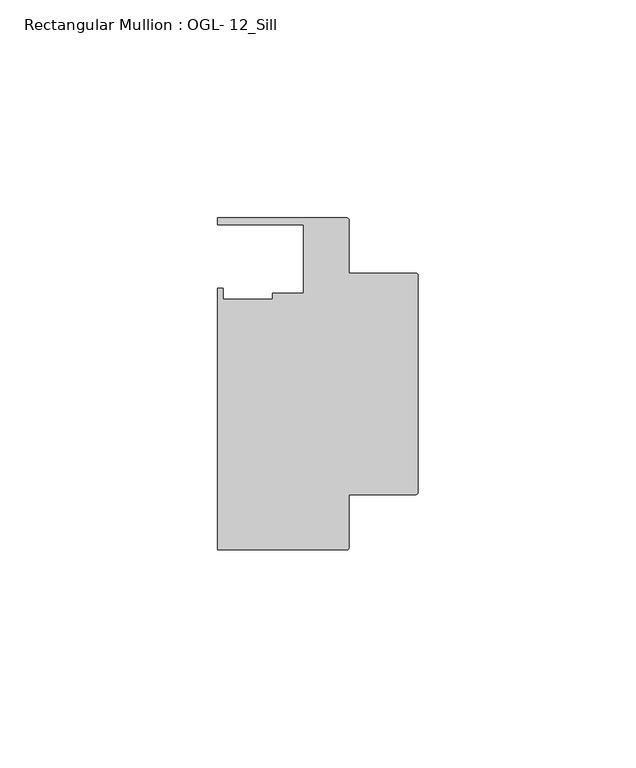
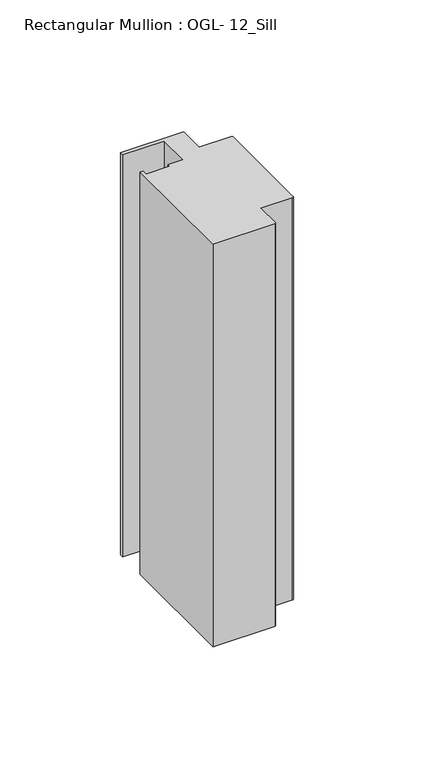
"""IFC4 building model written with IfcOpenShell, lengths in millimetres: member geometry, Rectangular Mullion : OGL- 12_Sill."""

import ifcopenshell
import ifcopenshell.guid

model = None  # the IFC model being written
_history = None  # IfcOwnerHistory: only IFC2X3 demands one
_inside = {}  # id of a spatial element -> (the spatial element, [elements in it])
_under = {}  # id of a project, library or spatial element -> (it, [spatial elements below it])
_declared = {}  # id of a project -> (the project, [libraries it declares])
_typed = {}  # id of a type object -> (the type object, [elements of that type])
_made_of = {}  # id of a material, layer set ... -> (it, [elements and type objects made of it])


def new_model(schema):
    """Start an empty IFC model of exactly this schema.

    Asked for "IFC4X3", IfcOpenShell would pick the latest addendum, in which some entities
    have other attributes; the version numbers below select the first issue.
    IFC2X3 requires an IfcOwnerHistory on every rooted entity: one is made here for all.
    """
    global model, _history
    if schema == "IFC4X3":
        model = ifcopenshell.file(schema_version=(4, 3, 0, 0))
    else:
        model = ifcopenshell.file(schema=schema)
    _inside.clear()
    _under.clear()
    _declared.clear()
    _typed.clear()
    _made_of.clear()
    _history = None
    if model.schema == "IFC2X3":
        org = make("IfcOrganization", Name="unknown")
        user = make(
            "IfcPersonAndOrganization",
            ThePerson=make("IfcPerson", FamilyName="unknown"),
            TheOrganization=org,
        )
        app = make(
            "IfcApplication",
            ApplicationDeveloper=org,
            Version="unknown",
            ApplicationFullName="unknown",
            ApplicationIdentifier="unknown",
        )
        _history = make(
            "IfcOwnerHistory",
            OwningUser=user,
            OwningApplication=app,
            ChangeAction="ADDED",
            CreationDate=0,
        )
    return model


def make(cls, **values):
    """One entity of the class cls with the attributes given. An attribute that is None is left unset."""
    return model.create_entity(
        cls, **{name: value for name, value in values.items() if value is not None}
    )


def rooted(cls, **values):
    """An entity with a GlobalId (a new one), such as an element, a storey or a relation."""
    return make(cls, GlobalId=ifcopenshell.guid.new(), OwnerHistory=_history, **values)


def si_unit(unit_type, name, prefix=None):
    """IfcSIUnit, for example si_unit("LENGTHUNIT", "METRE", prefix="MILLI")."""
    return make("IfcSIUnit", UnitType=unit_type, Prefix=prefix, Name=name)


def assignment(units):
    """IfcUnitAssignment: the units of a project."""
    return None if units is None else make("IfcUnitAssignment", Units=units)


def point(xyz):
    """IfcCartesianPoint."""
    return None if xyz is None else make("IfcCartesianPoint", Coordinates=xyz)


def direction(xyz):
    """IfcDirection."""
    return None if xyz is None else make("IfcDirection", DirectionRatios=xyz)


def frame(location, z_axis=None, x_axis=None):
    """IfcAxis2Placement3D, a coordinate frame: its origin and axes. An axis left out is left unset."""
    return make(
        "IfcAxis2Placement3D",
        Location=point(location),
        Axis=direction(z_axis),
        RefDirection=direction(x_axis),
    )


def frame_2d(location, x_axis=None):
    """IfcAxis2Placement2D, a coordinate frame in the plane: its origin and x axis."""
    return make(
        "IfcAxis2Placement2D", Location=point(location), RefDirection=direction(x_axis)
    )


def origin():
    """The frame at (0, 0, 0) with its axes left unset."""
    return frame((0.0, 0.0, 0.0))


def place(relative_to, where):
    """IfcLocalPlacement: puts the frame where relative to a parent placement (None: the world)."""
    return make(
        "IfcLocalPlacement", PlacementRelTo=relative_to, RelativePlacement=where
    )


def context(
    kind, dimensions, precision=None, world=None, true_north=None, identifier=None
):
    """IfcGeometricRepresentationContext, for example the 3D "Model" context."""
    return make(
        "IfcGeometricRepresentationContext",
        ContextIdentifier=identifier,
        ContextType=kind,
        CoordinateSpaceDimension=dimensions,
        Precision=precision,
        WorldCoordinateSystem=world,
        TrueNorth=true_north,
    )


def project(units=None, contexts=None):
    """IfcProject with its units and contexts."""
    return rooted(
        "IfcProject",
        Name="project",
        RepresentationContexts=contexts,
        UnitsInContext=assignment(units),
    )


def spatial(cls, under=None, at=None, **own):
    """A site, building, storey or space (cls), placed at a placement, below another one or the project."""
    s = rooted(cls, ObjectPlacement=at, **own)
    if under is not None:
        _under.setdefault(under.id(), (under, []))[1].append(s)
    return s


def polyline(points):
    """IfcPolyline through the points."""
    return make("IfcPolyline", Points=[point(p) for p in points])


def circle_curve(where, radius):
    """IfcCircle in the frame where."""
    return make("IfcCircle", Position=where, Radius=radius)


def trimmed(basis, trim1, trim2, sense, master):
    """IfcTrimmedCurve: the piece of a basis curve between two trims."""
    return make(
        "IfcTrimmedCurve",
        BasisCurve=basis,
        Trim1=trim1,
        Trim2=trim2,
        SenseAgreement=sense,
        MasterRepresentation=master,
    )


def segment(curve, same_sense, transition):
    """IfcCompositeCurveSegment."""
    return make(
        "IfcCompositeCurveSegment",
        Transition=transition,
        SameSense=same_sense,
        ParentCurve=curve,
    )


def composite_curve(segments, self_intersect=None):
    """IfcCompositeCurve: segments joined end to end."""
    return make("IfcCompositeCurve", Segments=segments, SelfIntersect=self_intersect)


def outline(outer, holes=None, kind="AREA"):
    """IfcArbitraryClosedProfileDef: a profile drawn as a closed curve; with holes, ...WithVoids."""
    if holes is None:
        return make("IfcArbitraryClosedProfileDef", ProfileType=kind, OuterCurve=outer)
    return make(
        "IfcArbitraryProfileDefWithVoids",
        ProfileType=kind,
        OuterCurve=outer,
        InnerCurves=holes,
    )


def extrude(swept, where, along, depth):
    """IfcExtrudedAreaSolid: the profile swept, set in the frame where, extruded along a direction by depth."""
    return make(
        "IfcExtrudedAreaSolid",
        SweptArea=swept,
        Position=where,
        ExtrudedDirection=direction(along),
        Depth=depth,
    )


def shape(context_of_items, identifier, shape_type, items):
    """IfcShapeRepresentation: the items that make up one representation, for example the "Body"."""
    return make(
        "IfcShapeRepresentation",
        ContextOfItems=context_of_items,
        RepresentationIdentifier=identifier,
        RepresentationType=shape_type,
        Items=items,
    )


def source(mapping_origin, context_of_items, identifier, shape_type, items):
    """IfcRepresentationMap: a shape defined once, which mapped items show again and again."""
    return make(
        "IfcRepresentationMap",
        MappingOrigin=mapping_origin,
        MappedRepresentation=shape(context_of_items, identifier, shape_type, items),
    )


def transform(
    local_origin,
    x_axis=None,
    y_axis=None,
    z_axis=None,
    scale=None,
    scale2=None,
    scale3=None,
    uniform=True,
):
    """IfcCartesianTransformationOperator3D, or its non-uniform kind. x_axis, y_axis, z_axis: its Axis1, 2, 3."""
    if uniform:
        return make(
            "IfcCartesianTransformationOperator3D",
            Axis1=direction(x_axis),
            Axis2=direction(y_axis),
            LocalOrigin=point(local_origin),
            Scale=scale,
            Axis3=direction(z_axis),
        )
    return make(
        "IfcCartesianTransformationOperator3DnonUniform",
        Axis1=direction(x_axis),
        Axis2=direction(y_axis),
        LocalOrigin=point(local_origin),
        Scale=scale,
        Axis3=direction(z_axis),
        Scale2=scale2,
        Scale3=scale3,
    )


def mapped(mapping_source, mapping_target):
    """IfcMappedItem: shows the shape of a source again, moved by a transform."""
    return make(
        "IfcMappedItem", MappingSource=mapping_source, MappingTarget=mapping_target
    )


def made_of(thing, what):
    """Note that an element or type object is made of a material, layer set ...; save() writes the relation."""
    if what is not None:
        _made_of.setdefault(what.id(), (what, []))[1].append(thing)
    return thing


def element(
    cls,
    number,
    at=None,
    inside=None,
    cuts=None,
    type_object=None,
    material=None,
    context=None,
    identifier="Body",
    shape_type=None,
    held_by="IfcProductDefinitionShape",
    body=None,
    shapes=None,
    **own,
):
    """One element of the class cls, such as IfcWall. Its Tag is "e" and its number.

    at: its placement. inside: the storey or other place that contains it. cuts: it is an
    opening in that element (IfcRelVoidsElement). A single representation is given by context,
    identifier, shape_type and body (its items); several are given by shapes. held_by: the class
    of the entity that holds the representations. save() writes the other relations.
    """
    e = rooted(cls, Tag="e%d" % number, ObjectPlacement=at, **own)
    if body is not None:
        shapes = [shape(context, identifier, shape_type, body)]
    if shapes is not None:
        e.Representation = make(held_by, Representations=shapes)
    if inside is not None:
        _inside.setdefault(inside.id(), (inside, []))[1].append(e)
    if cuts is not None:
        rooted(
            "IfcRelVoidsElement", RelatingBuildingElement=cuts, RelatedOpeningElement=e
        )
    if type_object is not None:
        _typed.setdefault(type_object.id(), (type_object, []))[1].append(e)
    return made_of(e, material)


def aggregate(whole, parts):
    """IfcRelAggregates: a whole, such as a stair, and the parts it consists of."""
    return rooted("IfcRelAggregates", RelatingObject=whole, RelatedObjects=parts)


def save(model, path):
    """Write the relations noted so far, then the file.

    IfcRelAggregates (storeys below a building ...), IfcRelContainedInSpatialStructure (elements
    in a storey), IfcRelDefinesByType, IfcRelAssociatesMaterial and IfcRelDeclares: one each for
    every whole, place, type object, material and project.
    """
    for whole, parts in _under.values():
        aggregate(whole, parts)
    for where, things in _inside.values():
        rooted(
            "IfcRelContainedInSpatialStructure",
            RelatedElements=things,
            RelatingStructure=where,
        )
    for kind, things in _typed.values():
        rooted("IfcRelDefinesByType", RelatedObjects=things, RelatingType=kind)
    for what, things in _made_of.values():
        rooted("IfcRelAssociatesMaterial", RelatedObjects=things, RelatingMaterial=what)
    for by, libraries in _declared.values():
        rooted("IfcRelDeclares", RelatingContext=by, RelatedDefinitions=libraries)
    model.write(path)


def rectangular_mullion_ogl_12_sill_fbdf4256(model_context):
    return source(origin(), model_context, "Body", "SweptSolid", [
        extrude(outline(composite_curve([segment(polyline([(-0.5953125, -25.4), (-15.8750672, -25.4), (-15.8750672, -37.5043667)]), True, "CONTINUOUS"), segment(trimmed(circle_curve(frame_2d((-16.4703797, -37.5043667)), 0.5953125), [point((-15.8750672, -37.5043667))], [point((-16.4703797, -38.0996792))], False, "CARTESIAN"), True, "CONTINUOUS"), segment(polyline([(-16.4703797, -38.0996792), (-46.0339598, -38.0996792), (-46.0339598, 21.9710976), (-44.7780305, 21.9710976), (-44.7780305, 19.4824275), (-33.3985545, 19.4824275), (-33.3985545, 20.8257348), (-26.3720794, 20.8257348), (-26.3720794, 36.512516), (-46.0248655, 36.512516), (-46.0248655, 38.100016), (-16.4703797, 38.100016)]), True, "CONTINUOUS"), segment(trimmed(circle_curve(frame_2d((-16.4703797, 37.5047035)), 0.5953125), [point((-16.4703797, 38.100016))], [point((-15.8750672, 37.5047035))], False, "CARTESIAN"), True, "CONTINUOUS"), segment(polyline([(-15.8750672, 37.5047035), (-15.8750672, 25.4), (-0.5953125, 25.4)]), True, "CONTINUOUS"), segment(trimmed(circle_curve(frame_2d((-0.5953125, 24.8046875)), 0.5953125), [point((-0.5953125, 25.4))], [point((0.0, 24.8046875))], False, "CARTESIAN"), True, "CONTINUOUS"), segment(polyline([(0.0, 24.8046875), (0.0, -24.8046875)]), True, "CONTINUOUS"), segment(trimmed(circle_curve(frame_2d((-0.5953125, -24.8046875)), 0.5953125), [point((0.0, -24.8046875))], [point((-0.5953125, -25.4))], False, "CARTESIAN"), True, "CONTINUOUS")], self_intersect=False)), frame((0.0, 0.0, -203.2), z_axis=(0.0, 0.0, 1.0), x_axis=(1.0, 0.0, 0.0)), (0.0, 0.0, 1.0), 203.2),
    ])


if __name__ == "__main__":
    model = new_model("IFC4")
    model_context = context("Model", 3, world=origin())
    ifc_project = project(units=[si_unit("LENGTHUNIT", "METRE", prefix="MILLI")], contexts=[model_context])
    site = spatial("IfcSite", under=ifc_project)
    building = spatial("IfcBuilding", under=site)
    placement = place(None, origin())
    rectangular_mullion_ogl_12_sill_shape = rectangular_mullion_ogl_12_sill_fbdf4256(model_context)
    element("IfcMember", 1, ObjectType="Rectangular Mullion : OGL- 12_Sill", at=placement, inside=building, context=model_context, shape_type="MappedRepresentation", body=[
        mapped(rectangular_mullion_ogl_12_sill_shape, transform((0.0, 0.0, 0.0), x_axis=(1.0, 0.0, 0.0), y_axis=(0.0, 1.0, 0.0), z_axis=(0.0, 0.0, 1.0))),
    ])
    save(model, "model.ifc")
